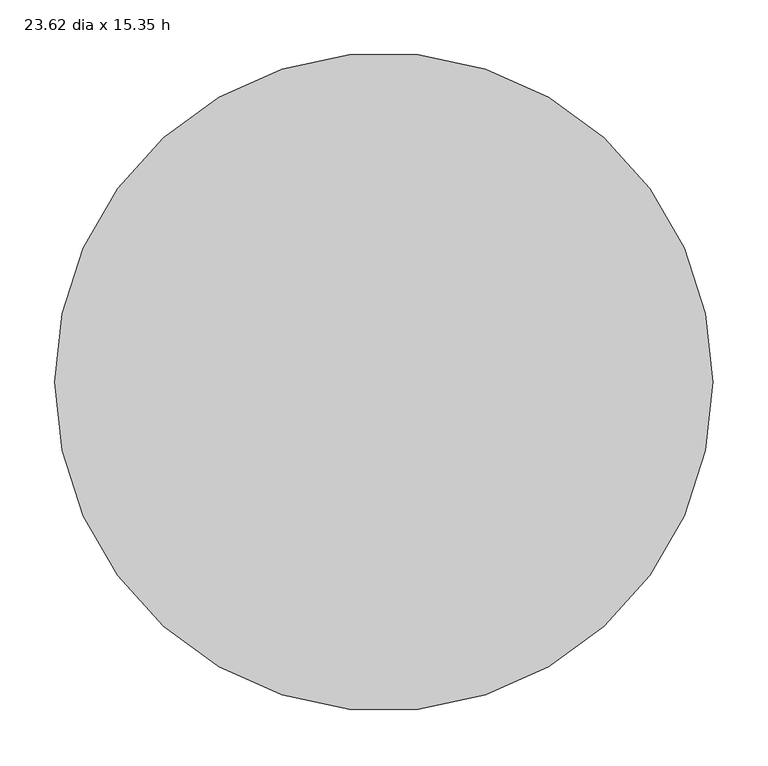
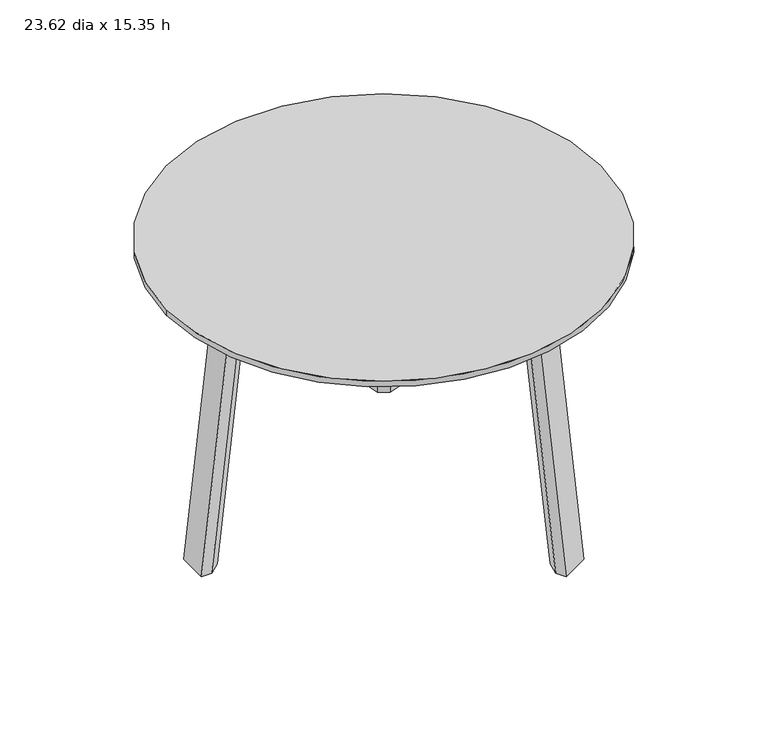
"""IFC4 building model written with IfcOpenShell, lengths in millimetres: furniture geometry, 23.62 dia x 15.35 h."""

from ifc_helpers import new_model, si_unit, point, frame, origin, place, context, project, spatial, polyline, circle_curve, ellipse_curve, trimmed, source, transform, mapped, element, save
from ifc_brep_helpers import plane_surface, cylinder_surface, revolved_surface, advanced_brep


def furniture_23_62_dia_x_15_35_h_9e14148d(model_context):
    return source(origin(), model_context, "Body", "AdvancedBrep", [
        advanced_brep(
        [(-164.1983241, 21.0031239, 359.6602783), (-214.6864567, 21.0031239, 314.4806403), (-249.6945852, 21.0031239, 0.0), (-264.0289905, 21.0031239, 0.0), (-228.8454009, 21.0031239, 316.0568204), (-164.1983241, 21.0031239, 373.906683), (-12.1261592, 21.0031239, 373.906683), (-12.1261592, 21.0031239, 359.6602783), (-164.1983241, -21.0031239, 373.906683), (-12.1261592, -21.0031239, 373.906683), (63.9099232, -152.7014819, 373.906683), (100.2884009, -131.698358, 373.906683), (24.2523185, 0.0, 373.906683), (100.2884009, 131.698358, 373.906683), (63.9099232, 152.7014819, 373.906683), (-228.8454009, -21.0031239, 316.0568204), (-264.0289905, -21.0031239, 0.0), (-249.6945852, -21.0031239, 0.0), (-214.6864567, -21.0031239, 314.4806403), (-164.1983241, -21.0031239, 359.6602783), (-12.1261592, -21.0031239, 359.6602783), (-164.1983241, -7.7487349, 344.412848), (-4.4737342, -7.7487349, 344.412848), (-164.1983241, 7.7487349, 344.412848), (-4.4737342, 7.7487349, 344.412848), (75.3885608, 146.0742874, 344.412848), (88.8097633, 138.3255525, 344.412848), (8.9474683, 0.0, 344.412848), (88.8097633, -138.3255525, 344.412848), (75.3885608, -146.0742874, 344.412848), (-199.5326322, -7.7487349, 312.7937096), (-199.5326322, 7.7487349, 312.7937096), (-234.3529708, -7.7487349, 0.0), (-234.3529708, 7.7487349, 0.0), (100.2884009, 131.698358, 359.6602783), (125.5324672, 175.4223634, 314.4806403), (143.0365314, 205.740292, 0.0), (150.2037341, 218.1542512, 0.0), (132.6119393, 187.6843688, 316.0568204), (24.2523185, 0.0, 359.6602783), (96.2334616, 208.6874927, 316.0568204), (113.8252564, 239.157375, 0.0), (106.6580537, 226.7434159, 0.0), (89.1539895, 196.4254873, 314.4806403), (63.9099232, 152.7014819, 359.6602783), (93.0557148, 176.6746958, 312.7937096), (106.4769174, 168.9259609, 312.7937096), (110.4658841, 206.8299936, 0.0), (123.8870866, 199.0812587, 0.0), (132.6119393, -187.6843688, 316.0568204), (150.2037341, -218.1542512, 0.0), (143.0365314, -205.740292, 0.0), (125.5324672, -175.4223634, 314.4806403), (100.2884009, -131.698358, 359.6602783), (63.9099232, -152.7014819, 359.6602783), (89.1539895, -196.4254873, 314.4806403), (106.6580537, -226.7434159, 0.0), (113.8252564, -239.157375, 0.0), (96.2334616, -208.6874927, 316.0568204), (93.0557148, -176.6746958, 312.7937096), (106.4769174, -168.9259609, 312.7937096), (110.4658841, -206.8299936, 0.0), (123.8870866, -199.0812587, 0.0)],
        [
            (0, 1, circle_curve(frame((-164.1983241, 21.0031239, 308.8602783), z_axis=(0.0, -1.0, 0.0), x_axis=(0.0, 0.0, 1.0)), 50.8)),
            (1, 2),
            (2, 3),
            (3, 4),
            (4, 5, circle_curve(frame((-164.1983241, 21.0031239, 308.8602783), z_axis=(0.0, 1.0, 0.0), x_axis=(0.0, 0.0, 1.0)), 65.0464047)),
            (5, 6),
            (6, 7),
            (7, 0),
            (5, 8),
            (8, 9),
            (9, 10),
            (10, 11),
            (11, 12),
            (12, 13),
            (13, 14),
            (14, 6),
            (8, 15, circle_curve(frame((-164.1983241, -21.0031239, 308.8602783), z_axis=(0.0, -1.0, 0.0), x_axis=(0.0, 0.0, 1.0)), 65.0464047)),
            (15, 16),
            (16, 17),
            (17, 18),
            (18, 19, circle_curve(frame((-164.1983241, -21.0031239, 308.8602783), z_axis=(0.0, 1.0, 0.0), x_axis=(0.0, 0.0, 1.0)), 50.8)),
            (19, 20),
            (20, 9),
            (19, 21),
            (21, 22),
            (22, 20),
            (21, 23),
            (23, 24),
            (24, 25),
            (25, 26),
            (26, 27),
            (27, 28),
            (28, 29),
            (29, 22),
            (23, 0),
            (7, 24),
            (4, 15),
            (18, 30),
            (30, 21, circle_curve(frame((-164.1983241, -7.7487349, 308.8602783), z_axis=(0.0, 1.0, 0.0), x_axis=(0.0, 0.0, 1.0)), 35.5525696)),
            (30, 31),
            (31, 23, circle_curve(frame((-164.1983241, 7.7487349, 308.8602783), z_axis=(0.0, 1.0, 0.0), x_axis=(0.0, 0.0, 1.0)), 35.5525696)),
            (31, 1),
            (3, 16),
            (17, 32),
            (32, 30),
            (32, 33),
            (33, 31),
            (33, 2),
            (34, 35, circle_curve(frame((100.2884009, 131.698358, 308.8602783), z_axis=(-0.8660254037854791, 0.499999999998198, 0.0), x_axis=(0.0, 0.0, 1.0)), 50.8)),
            (35, 36),
            (36, 37),
            (37, 38),
            (38, 13, circle_curve(frame((100.2884009, 131.698358, 308.8602783), z_axis=(0.8660254037854791, -0.499999999998198, 0.0), x_axis=(0.0, 0.0, 1.0)), 65.0464047)),
            (12, 39),
            (39, 34),
            (14, 40, circle_curve(frame((63.9099232, 152.7014819, 308.8602783), z_axis=(-0.8660254037854791, 0.499999999998198, 0.0), x_axis=(0.0, 0.0, 1.0)), 65.0464047)),
            (40, 41),
            (41, 42),
            (42, 43),
            (43, 44, circle_curve(frame((63.9099232, 152.7014819, 308.8602783), z_axis=(0.8660254037854791, -0.499999999998198, 0.0), x_axis=(0.0, 0.0, 1.0)), 50.8)),
            (44, 7),
            (44, 25),
            (26, 34),
            (39, 27),
            (38, 40),
            (43, 45),
            (45, 25, circle_curve(frame((75.3885608, 146.0742874, 308.8602783), z_axis=(0.8660254037854791, -0.499999999998198, 0.0), x_axis=(0.0, 0.0, 1.0)), 35.5525696)),
            (45, 46),
            (46, 26, circle_curve(frame((88.8097633, 138.3255525, 308.8602783), z_axis=(0.8660254037854791, -0.499999999998198, 0.0), x_axis=(0.0, 0.0, 1.0)), 35.5525696)),
            (46, 35),
            (37, 41),
            (42, 47),
            (47, 45),
            (47, 48),
            (48, 46),
            (48, 36),
            (11, 49, circle_curve(frame((100.2884009, -131.698358, 308.8602783), z_axis=(0.8660254037854791, 0.499999999998198, 0.0), x_axis=(0.0, 0.0, 1.0)), 65.0464047)),
            (49, 50),
            (50, 51),
            (51, 52),
            (52, 53, circle_curve(frame((100.2884009, -131.698358, 308.8602783), z_axis=(-0.8660254037854791, -0.499999999998198, 0.0), x_axis=(0.0, 0.0, 1.0)), 50.8)),
            (53, 39),
            (54, 55, circle_curve(frame((63.9099232, -152.7014819, 308.8602783), z_axis=(0.8660254037854791, 0.499999999998198, 0.0), x_axis=(0.0, 0.0, 1.0)), 50.8)),
            (55, 56),
            (56, 57),
            (57, 58),
            (58, 10, circle_curve(frame((63.9099232, -152.7014819, 308.8602783), z_axis=(-0.8660254037854791, -0.499999999998198, 0.0), x_axis=(0.0, 0.0, 1.0)), 65.0464047)),
            (20, 54),
            (29, 54),
            (53, 28),
            (58, 49),
            (29, 59, circle_curve(frame((75.3885608, -146.0742874, 308.8602783), z_axis=(0.8660254037854791, 0.499999999998198, 0.0), x_axis=(0.0, 0.0, 1.0)), 35.5525696)),
            (59, 55),
            (28, 60, circle_curve(frame((88.8097633, -138.3255525, 308.8602783), z_axis=(0.8660254037854791, 0.499999999998198, 0.0), x_axis=(0.0, 0.0, 1.0)), 35.5525696)),
            (60, 59),
            (52, 60),
            (57, 50),
            (59, 61),
            (61, 56),
            (60, 62),
            (62, 61),
            (51, 62),
        ],
        [
            plane_surface(frame((0.0, 21.0031239, 359.6602783), z_axis=(0.0, 1.0, 0.0), x_axis=(-1.0, 0.0, 0.0))),
            plane_surface(frame((0.0, 21.0031239, 373.906683), z_axis=(0.0, 0.0, 1.0), x_axis=(-1.0, 0.0, 0.0))),
            plane_surface(frame((0.0, -21.0031239, 373.906683), z_axis=(0.0, -1.0, 0.0), x_axis=(-1.0, 0.0, 0.0))),
            plane_surface(frame((0.0, -21.0031239, 359.6602783), z_axis=(0.0, -0.754709580222773, -0.6560590289905062), x_axis=(-1.0, 0.0, 0.0))),
            plane_surface(frame((0.0, -7.7487349, 344.412848), z_axis=(0.0, 0.0, -1.0), x_axis=(-1.0, 0.0, 0.0))),
            plane_surface(frame((0.0, 7.7487349, 344.412848), z_axis=(0.0, 0.7547095802227738, -0.6560590289905054), x_axis=(-1.0, 0.0, 0.0))),
            cylinder_surface(frame((-164.1983241, 0.0, 308.8602783), z_axis=(0.0, -1.0, 0.0), x_axis=(0.0, 0.0, 1.0)), 65.0464047),
            revolved_surface(polyline([(-164.1983241, -21.0031239, 359.6602783), (-164.1983241, -7.7487349, 344.412848)]), (-164.1983241, 0.0, 308.8602783), (0.0, -1.0, 0.0)),
            revolved_surface(polyline([(-164.1983241, -7.7487349, 344.4128479), (-164.1983241, 7.7487349, 344.4128479)]), (-164.1983241, 0.0, 308.8602783), (0.0, -1.0, 0.0)),
            revolved_surface(polyline([(-164.1983241, 7.7487349, 344.412848), (-164.1983241, 21.0031239, 359.6602783)]), (-164.1983241, 0.0, 308.8602783), (0.0, -1.0, 0.0)),
            plane_surface(frame((-228.8454009, 21.0031239, 316.0568204), z_axis=(-0.9938608775316533, 0.0, 0.11063704674299657), x_axis=(-0.11063704674299657, 0.0, -0.9938608775316533))),
            plane_surface(frame((-214.6864567, -21.0031239, 314.4806403), z_axis=(0.6520314022650321, -0.7547095802228018, -0.07258443345661966), x_axis=(-0.1106370467429966, 0.0, -0.9938608775316533))),
            plane_surface(frame((-199.5326322, -7.7487349, 312.7937096), z_axis=(0.9938608775316533, 0.0, -0.1106370467429966), x_axis=(-0.1106370467429966, 0.0, -0.9938608775316533))),
            plane_surface(frame((-199.5326322, 7.7487349, 312.7937096), z_axis=(0.652031402265105, 0.754709580222745, -0.07258443345655546), x_axis=(-0.1106370467429966, 0.0, -0.9938608775316533))),
            plane_surface(frame((18.1892388, -10.5015619, 359.6602783), z_axis=(0.8660254037854791, -0.49999999999819783, 0.0), x_axis=(0.49999999999819783, 0.8660254037854791, 0.0))),
            plane_surface(frame((-18.1892388, 10.5015619, 373.906683), z_axis=(-0.8660254037854791, 0.49999999999819794, 0.0), x_axis=(0.49999999999819794, 0.8660254037854791, 0.0))),
            plane_surface(frame((-18.1892388, 10.5015619, 359.6602783), z_axis=(-0.6535976689531953, 0.3773547901100284, -0.6560590289905062), x_axis=(0.499999999998198, 0.8660254037854791, 0.0))),
            plane_surface(frame((6.7106013, -3.8743674, 344.412848), z_axis=(0.6535976689531982, -0.3773547901100248, -0.6560590289905053), x_axis=(0.49999999999819783, 0.8660254037854791, 0.0))),
            cylinder_surface(frame((82.0991621, 142.1999199, 308.8602783), z_axis=(-0.8660254037854791, 0.499999999998198, 0.0), x_axis=(0.0, 0.0, 1.0)), 65.0464047),
            revolved_surface(polyline([(63.9099232, 152.7014819, 359.6602783), (75.3885608, 146.0742874, 344.412848)]), (82.0991621, 142.1999199, 308.8602783), (-0.8660254037854791, 0.499999999998198, 0.0)),
            revolved_surface(polyline([(75.38856076546784, 146.0742873868978, 344.4128479), (88.8097633507795, 138.32555246145682, 344.4128479)]), (82.0991621, 142.1999199, 308.8602783), (-0.8660254037854791, 0.499999999998198, 0.0)),
            revolved_surface(polyline([(88.8097633, 138.3255525, 344.412848), (100.2884009, 131.698358, 359.6602783)]), (82.0991621, 142.1999199, 308.8602783), (-0.8660254037854791, 0.499999999998198, 0.0)),
            plane_surface(frame((132.6119393, 187.6843688, 316.0568204), z_axis=(0.4969304387640775, 0.8607087677709165, 0.11063704674299657), x_axis=(0.055318523371340175, 0.09581449307921269, -0.9938608775316533))),
            plane_surface(frame((89.1539895, 196.4254873, 314.4806403), z_axis=(-0.9796133700845623, -0.18732096831734552, -0.07258443345661966), x_axis=(0.05531852337134019, 0.0958144930792127, -0.9938608775316533))),
            plane_surface(frame((93.0557148, 176.6746958, 312.7937096), z_axis=(-0.496930438764076, -0.8607087677709174, -0.11063704674299658), x_axis=(0.05531852337134019, 0.0958144930792127, -0.9938608775316533))),
            plane_surface(frame((106.4769174, 168.9259609, 312.7937096), z_axis=(0.32758196782179455, -0.9420305485374622, -0.07258443345655533), x_axis=(0.05531852337134019, 0.09581449307921261, -0.9938608775316533))),
            plane_surface(frame((18.1892388, 10.5015619, 373.906683), z_axis=(0.8660254037854791, 0.49999999999819794, 0.0), x_axis=(0.49999999999819794, -0.8660254037854791, 0.0))),
            plane_surface(frame((-18.1892388, -10.5015619, 359.6602783), z_axis=(-0.8660254037854791, -0.499999999998198, 0.0), x_axis=(0.499999999998198, -0.8660254037854791, 0.0))),
            plane_surface(frame((-6.7106013, -3.8743674, 344.412848), z_axis=(-0.6535976689531953, -0.3773547901100282, -0.6560590289905062), x_axis=(0.49999999999819783, -0.8660254037854791, 0.0))),
            plane_surface(frame((18.1892388, 10.5015619, 359.6602783), z_axis=(0.6535976689531982, 0.37735479011002493, -0.6560590289905055), x_axis=(0.49999999999819794, -0.8660254037854792, 0.0))),
            cylinder_surface(frame((82.0991621, -142.1999199, 308.8602783), z_axis=(0.8660254037854791, 0.499999999998198, 0.0), x_axis=(0.0, 0.0, 1.0)), 65.0464047),
            revolved_surface(polyline([(75.3885608, -146.0742874, 344.412848), (63.9099232, -152.7014819, 359.6602783)]), (82.0991621, -142.1999199, 308.8602783), (0.8660254037854791, 0.499999999998198, 0.0)),
            revolved_surface(polyline([(88.8097633507795, -138.32555246145682, 344.4128479), (75.38856076546784, -146.0742873868978, 344.4128479)]), (82.0991621, -142.1999199, 308.8602783), (0.8660254037854791, 0.499999999998198, 0.0)),
            revolved_surface(polyline([(100.2884009, -131.698358, 359.6602783), (88.8097633, -138.3255525, 344.412848)]), (82.0991621, -142.1999199, 308.8602783), (0.8660254037854791, 0.499999999998198, 0.0)),
            plane_surface(frame((96.2334616, -208.6874927, 316.0568204), z_axis=(0.4969304387640776, -0.8607087677709164, 0.11063704674299664), x_axis=(0.055318523371340134, -0.09581449307921282, -0.9938608775316533))),
            plane_surface(frame((93.0557148, -176.6746958, 312.7937096), z_axis=(-0.9796133700845623, 0.18732096831734552, -0.07258443345661969), x_axis=(0.05531852337134019, -0.09581449307921282, -0.9938608775316533))),
            plane_surface(frame((106.4769174, -168.9259609, 312.7937096), z_axis=(-0.49693043876407605, 0.8607087677709173, -0.11063704674299658), x_axis=(0.05531852337134019, -0.0958144930792127, -0.9938608775316533))),
            plane_surface(frame((125.5324672, -175.4223634, 314.4806403), z_axis=(0.3275819678217947, 0.9420305485374622, -0.07258443345655541), x_axis=(0.055318523371340175, -0.09581449307921269, -0.9938608775316533))),
            plane_surface(frame((330.2, 0.0, 0.0), z_axis=(0.0, 0.0, -1.0), x_axis=(0.0, 1.0, 0.0))),
        ],
        [
            (0, [[1, 2, 3, 4, 5, 6, 7, 8]]),
            (1, [[9, 10, 11, 12, 13, 14, 15, 16, -6]]),
            (2, [[17, 18, 19, 20, 21, 22, 23, -10]]),
            (3, [[24, 25, 26, -22]]),
            (4, [[27, 28, 29, 30, 31, 32, 33, 34, -25]]),
            (5, [[35, -8, 36, -28]]),
            (6, [[-5, 37, -17, -9]]),
            (7, [[-21, 38, 39, -24]]),
            (8, [[-27, -39, 40, 41]]),
            (9, [[-1, -35, -41, 42]]),
            (10, [[-37, -4, 43, -18]]),
            (11, [[-38, -20, 44, 45]]),
            (12, [[-40, -45, 46, 47]]),
            (13, [[-42, -47, 48, -2]]),
            (14, [[49, 50, 51, 52, 53, -14, 54, 55]]),
            (15, [[56, 57, 58, 59, 60, 61, -7, -16]]),
            (16, [[62, -29, -36, -61]]),
            (17, [[63, -55, 64, -31]]),
            (18, [[-53, 65, -56, -15]]),
            (19, [[-60, 66, 67, -62]]),
            (20, [[-30, -67, 68, 69]]),
            (21, [[-49, -63, -69, 70]]),
            (22, [[-65, -52, 71, -57]]),
            (23, [[-66, -59, 72, 73]]),
            (24, [[-68, -73, 74, 75]]),
            (25, [[-70, -75, 76, -50]]),
            (26, [[77, 78, 79, 80, 81, 82, -54, -13]]),
            (27, [[83, 84, 85, 86, 87, -11, -23, 88]]),
            (28, [[89, -88, -26, -34]]),
            (29, [[90, -32, -64, -82]]),
            (30, [[-77, -12, -87, 91]]),
            (31, [[-83, -89, 92, 93]]),
            (32, [[-33, 94, 95, -92]]),
            (33, [[-81, 96, -94, -90]]),
            (34, [[-91, -86, 97, -78]]),
            (35, [[-93, 98, 99, -84]]),
            (36, [[-95, 100, 101, -98]]),
            (37, [[-96, -80, 102, -100]]),
            (38, [[-3, -48, -46, -44, -19, -43]]),
            (38, [[-51, -76, -74, -72, -58, -71]]),
            (38, [[-79, -97, -85, -99, -101, -102]]),
        ],
    ),
        advanced_brep(
        [(-280.3621825, 0.0, 374.1381144), (280.3621825, 0.0, 374.1381144), (279.1428882, 0.0, 373.9066733), (-279.1428882, 0.0, 373.9066733), (-299.974, 0.0, 381.8616537), (299.974, 0.0, 381.8616537), (-299.974, 0.0, 389.89), (299.974, 0.0, 389.89)],
        [
            (0, 1, circle_curve(frame((0.0, 0.0, 374.1381144), z_axis=(0.0, 0.0, -1.0), x_axis=(1.0, 0.0, 0.0)), 280.3621825)),
            (1, 2, circle_curve(frame((279.1428882, 0.0, 377.2341791), z_axis=(0.0, 1.0, 0.0), x_axis=(-1.0, 0.0, 0.0)), 3.3275059)),
            (2, 3, circle_curve(frame((0.0, 0.0, 373.9066733), z_axis=(0.0, 0.0, 1.0), x_axis=(1.0, 0.0, 0.0)), 279.1428882)),
            (3, 0, circle_curve(frame((-279.1428882, 0.0, 377.2341791), z_axis=(0.0, 1.0, 0.0), x_axis=(1.0, 0.0, 0.0)), 3.3275059)),
            (0, 4),
            (4, 5, circle_curve(frame((0.0, 0.0, 381.8616537), z_axis=(0.0, 0.0, -1.0), x_axis=(1.0, 0.0, 0.0)), 299.974)),
            (5, 1),
            (4, 6),
            (6, 7, circle_curve(frame((0.0, 0.0, 389.89), z_axis=(0.0, 0.0, -1.0), x_axis=(1.0, 0.0, 0.0)), 299.974)),
            (7, 5),
            (6, 7, circle_curve(frame((0.0, 0.0, 389.89), z_axis=(0.0, 0.0, 1.0), x_axis=(-1.0, 0.0, 0.0)), 299.974)),
            (2, 3, circle_curve(frame((0.0, 0.0, 373.9066733), z_axis=(0.0, 0.0, -1.0), x_axis=(-1.0, 0.0, 0.0)), 279.1428882)),
            (1, 0, circle_curve(frame((0.0, 0.0, 374.1381144), z_axis=(0.0, 0.0, -1.0), x_axis=(-1.0, 0.0, 0.0)), 280.3621825)),
            (5, 4, circle_curve(frame((0.0, 0.0, 381.8616537), z_axis=(0.0, 0.0, -1.0), x_axis=(-1.0, 0.0, 0.0)), 299.974)),
        ],
        [
            revolved_surface(trimmed(ellipse_curve(frame((279.1428882, 0.0, 377.2341791), z_axis=(0.0, -1.0, 0.0), x_axis=(-1.0, 0.0, 0.0)), 3.3275059, 3.3275059), [point((279.1428882, 0.0, 373.9066733))], [point((280.3621825, 0.0, 374.1381144))], True, "CARTESIAN"), (0.0, 0.0, 389.89), (0.0, 0.0, 1.0)),
            revolved_surface(polyline([(280.3621825, 0.0, 374.1381144), (299.974, 0.0, 381.8616537)]), (0.0, 0.0, 389.89), (0.0, 0.0, 1.0)),
            cylinder_surface(frame((0.0, 0.0, 389.89), z_axis=(0.0, 0.0, 1.0), x_axis=(1.0, 0.0, 0.0)), 299.974),
            plane_surface(frame((0.0, 0.0, 389.89), z_axis=(0.0, 0.0, 1.0), x_axis=(-1.0, 0.0, 0.0))),
            plane_surface(frame((0.0, 0.0, 373.9066733), z_axis=(0.0, 0.0, -1.0), x_axis=(-1.0, 0.0, 0.0))),
            revolved_surface(trimmed(ellipse_curve(frame((-279.1428882, 0.0, 377.2341791), z_axis=(0.0, 1.0, 0.0), x_axis=(1.0, 0.0, 0.0)), 3.3275059, 3.3275059), [point((-279.1428882, 0.0, 373.9066733))], [point((-280.3621825, 0.0, 374.1381144))], True, "CARTESIAN"), (0.0, 0.0, 389.89), (0.0, 0.0, 1.0)),
            revolved_surface(polyline([(-280.3621825, 0.0, 374.1381144), (-299.974, 0.0, 381.8616537)]), (0.0, 0.0, 389.89), (0.0, 0.0, 1.0)),
            cylinder_surface(frame((0.0, 0.0, 389.89), z_axis=(0.0, 0.0, 1.0), x_axis=(-1.0, 0.0, 0.0)), 299.974),
        ],
        [
            (0, [[1, 2, 3, 4]]),
            (1, [[-1, 5, 6, 7]]),
            (2, [[-6, 8, 9, 10]]),
            (3, [[-9, 11]]),
            (4, [[-3, 12]]),
            (5, [[-2, 13, -4, -12]]),
            (6, [[-7, 14, -5, -13]]),
            (7, [[-10, -11, -8, -14]]),
        ],
    ),
    ])


if __name__ == "__main__":
    model = new_model("IFC4")
    model_context = context("Model", 3, world=origin())
    ifc_project = project(units=[si_unit("LENGTHUNIT", "METRE", prefix="MILLI")], contexts=[model_context])
    site = spatial("IfcSite", under=ifc_project)
    building = spatial("IfcBuilding", under=site)
    placement = place(None, origin())
    furniture_23_62_dia_x_15_35_h_shape = furniture_23_62_dia_x_15_35_h_9e14148d(model_context)
    element("IfcFurniture", 1, ObjectType="23.62 dia x 15.35 h", at=placement, inside=building, context=model_context, shape_type="MappedRepresentation", body=[
        mapped(furniture_23_62_dia_x_15_35_h_shape, transform((0.0, 0.0, 0.0), x_axis=(1.0, 0.0, 0.0), y_axis=(0.0, 1.0, 0.0), z_axis=(0.0, 0.0, 1.0))),
    ])
    save(model, "model.ifc")
